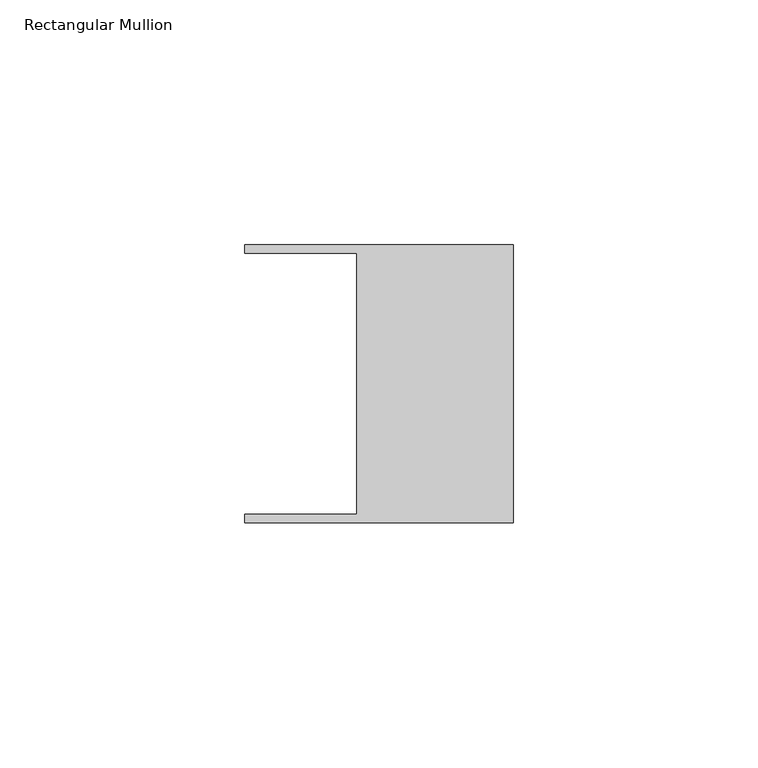
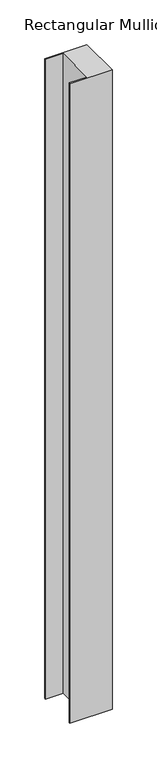
"""IFC4 building model written with IfcOpenShell, lengths in millimetres: member geometry, Rectangular Mullion."""

from ifc_helpers import new_model, si_unit, frame, origin, place, context, project, spatial, polyline, outline, extrude, source, transform, mapped, element, save


def rectangular_mullion_ef3e91c9(model_context):
    return source(origin(), model_context, "Body", "SweptSolid", [
        extrude(outline(polyline([(-32.004, 26.67), (-54.991, 26.67), (-54.991, 28.448), (0.0, 28.448), (0.0, -28.448), (-54.991, -28.448), (-54.991, -26.67), (-32.004, -26.67), (-32.004, 26.67)])), frame((0.0, 0.0, -877.2271), z_axis=(0.0, 0.0, 1.0), x_axis=(1.0, 0.0, 0.0)), (0.0, 0.0, 1.0), 877.2271),
    ])


if __name__ == "__main__":
    model = new_model("IFC4")
    model_context = context("Model", 3, world=origin())
    ifc_project = project(units=[si_unit("LENGTHUNIT", "METRE", prefix="MILLI")], contexts=[model_context])
    site = spatial("IfcSite", under=ifc_project)
    building = spatial("IfcBuilding", under=site)
    placement = place(None, origin())
    rectangular_mullion_shape = rectangular_mullion_ef3e91c9(model_context)
    element("IfcMember", 1, ObjectType="Rectangular Mullion", at=placement, inside=building, context=model_context, shape_type="MappedRepresentation", body=[
        mapped(rectangular_mullion_shape, transform((0.0, 0.0, 0.0), x_axis=(1.0, 0.0, 0.0), y_axis=(0.0, 1.0, 0.0), z_axis=(0.0, 0.0, 1.0))),
    ])
    save(model, "model.ifc")
